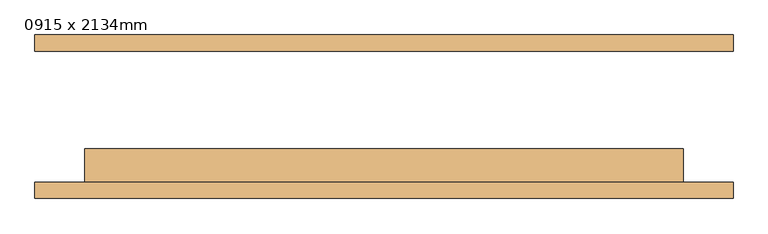
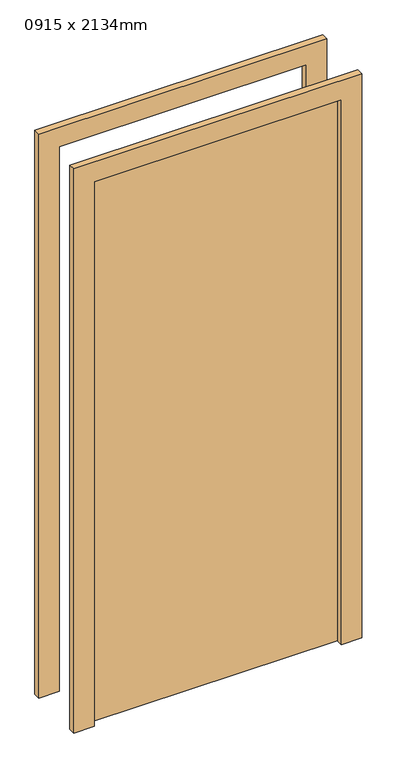
"""IFC4 building model written with IfcOpenShell, lengths in millimetres: door geometry, 0915 x 2134mm."""

from ifc_helpers import new_model, si_unit, frame, origin, origin_with_axes, place, context, project, spatial, polyline, outline, extrude, source, transform, mapped, element, save


def door_0915_x_2134mm_727434cd(model_context):
    return source(origin(), model_context, "Body", "SweptSolid", [
        extrude(outline(polyline([(2210.0, -533.5), (0.0, -533.5), (0.0, -457.5), (2134.0, -457.5), (2134.0, 457.5), (0.0, 457.5), (0.0, 533.5), (2210.0, 533.5), (2210.0, -533.5)])), frame((0.0, -125.0, 0.0), z_axis=(0.0, 1.0, 0.0), x_axis=(0.0, 0.0, 1.0)), (0.0, 0.0, 1.0), 25.0),
        extrude(outline(polyline([(2210.0, 533.5), (2210.0, -533.5), (0.0, -533.5), (0.0, -457.5), (2134.0, -457.5), (2134.0, 457.5), (0.0, 457.5), (0.0, 533.5), (2210.0, 533.5)])), frame((0.0, 100.0, 0.0), z_axis=(0.0, 1.0, 0.0), x_axis=(0.0, 0.0, 1.0)), (0.0, 0.0, 1.0), 25.0),
        extrude(outline(polyline([(457.5, -49.0), (457.5, -100.0), (-457.5, -100.0), (-457.5, -49.0), (457.5, -49.0)])), origin_with_axes(), (0.0, 0.0, 1.0), 2134.0),
    ])


if __name__ == "__main__":
    model = new_model("IFC4")
    model_context = context("Model", 3, world=origin())
    ifc_project = project(units=[si_unit("LENGTHUNIT", "METRE", prefix="MILLI")], contexts=[model_context])
    site = spatial("IfcSite", under=ifc_project)
    building = spatial("IfcBuilding", under=site)
    placement = place(None, origin())
    door_0915_x_2134mm_shape = door_0915_x_2134mm_727434cd(model_context)
    element("IfcDoor", 1, ObjectType="0915 x 2134mm", at=placement, inside=building, context=model_context, shape_type="MappedRepresentation", body=[
        mapped(door_0915_x_2134mm_shape, transform((0.0, 0.0, 0.0), x_axis=(1.0, 0.0, 0.0), y_axis=(0.0, 1.0, 0.0), z_axis=(0.0, 0.0, 1.0))),
    ])
    save(model, "model.ifc")
